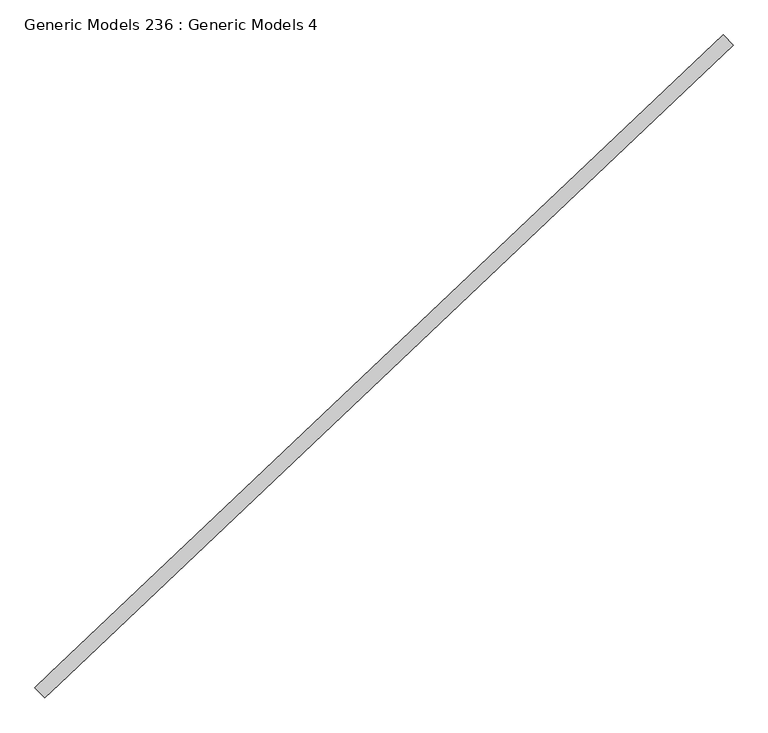
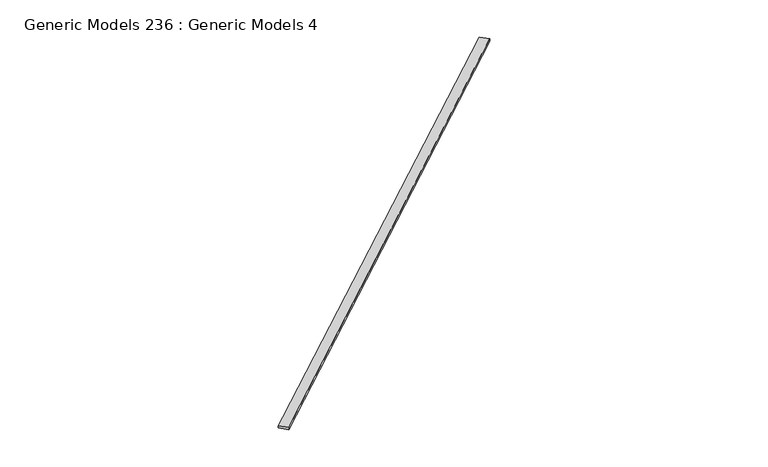
"""IFC4 building model written with IfcOpenShell, lengths in millimetres: proxy geometry, Generic Models 236 : Generic Models 4."""

import ifcopenshell
import ifcopenshell.guid

model = None  # the IFC model being written
_history = None  # IfcOwnerHistory: only IFC2X3 demands one
_inside = {}  # id of a spatial element -> (the spatial element, [elements in it])
_under = {}  # id of a project, library or spatial element -> (it, [spatial elements below it])
_declared = {}  # id of a project -> (the project, [libraries it declares])
_typed = {}  # id of a type object -> (the type object, [elements of that type])
_made_of = {}  # id of a material, layer set ... -> (it, [elements and type objects made of it])


def new_model(schema):
    """Start an empty IFC model of exactly this schema.

    Asked for "IFC4X3", IfcOpenShell would pick the latest addendum, in which some entities
    have other attributes; the version numbers below select the first issue.
    IFC2X3 requires an IfcOwnerHistory on every rooted entity: one is made here for all.
    """
    global model, _history
    if schema == "IFC4X3":
        model = ifcopenshell.file(schema_version=(4, 3, 0, 0))
    else:
        model = ifcopenshell.file(schema=schema)
    _inside.clear()
    _under.clear()
    _declared.clear()
    _typed.clear()
    _made_of.clear()
    _history = None
    if model.schema == "IFC2X3":
        org = make("IfcOrganization", Name="unknown")
        user = make(
            "IfcPersonAndOrganization",
            ThePerson=make("IfcPerson", FamilyName="unknown"),
            TheOrganization=org,
        )
        app = make(
            "IfcApplication",
            ApplicationDeveloper=org,
            Version="unknown",
            ApplicationFullName="unknown",
            ApplicationIdentifier="unknown",
        )
        _history = make(
            "IfcOwnerHistory",
            OwningUser=user,
            OwningApplication=app,
            ChangeAction="ADDED",
            CreationDate=0,
        )
    return model


def make(cls, **values):
    """One entity of the class cls with the attributes given. An attribute that is None is left unset."""
    return model.create_entity(
        cls, **{name: value for name, value in values.items() if value is not None}
    )


def rooted(cls, **values):
    """An entity with a GlobalId (a new one), such as an element, a storey or a relation."""
    return make(cls, GlobalId=ifcopenshell.guid.new(), OwnerHistory=_history, **values)


def si_unit(unit_type, name, prefix=None):
    """IfcSIUnit, for example si_unit("LENGTHUNIT", "METRE", prefix="MILLI")."""
    return make("IfcSIUnit", UnitType=unit_type, Prefix=prefix, Name=name)


def assignment(units):
    """IfcUnitAssignment: the units of a project."""
    return None if units is None else make("IfcUnitAssignment", Units=units)


def point(xyz):
    """IfcCartesianPoint."""
    return None if xyz is None else make("IfcCartesianPoint", Coordinates=xyz)


def direction(xyz):
    """IfcDirection."""
    return None if xyz is None else make("IfcDirection", DirectionRatios=xyz)


def frame(location, z_axis=None, x_axis=None):
    """IfcAxis2Placement3D, a coordinate frame: its origin and axes. An axis left out is left unset."""
    return make(
        "IfcAxis2Placement3D",
        Location=point(location),
        Axis=direction(z_axis),
        RefDirection=direction(x_axis),
    )


def origin():
    """The frame at (0, 0, 0) with its axes left unset."""
    return frame((0.0, 0.0, 0.0))


def place(relative_to, where):
    """IfcLocalPlacement: puts the frame where relative to a parent placement (None: the world)."""
    return make(
        "IfcLocalPlacement", PlacementRelTo=relative_to, RelativePlacement=where
    )


def context(
    kind, dimensions, precision=None, world=None, true_north=None, identifier=None
):
    """IfcGeometricRepresentationContext, for example the 3D "Model" context."""
    return make(
        "IfcGeometricRepresentationContext",
        ContextIdentifier=identifier,
        ContextType=kind,
        CoordinateSpaceDimension=dimensions,
        Precision=precision,
        WorldCoordinateSystem=world,
        TrueNorth=true_north,
    )


def project(units=None, contexts=None):
    """IfcProject with its units and contexts."""
    return rooted(
        "IfcProject",
        Name="project",
        RepresentationContexts=contexts,
        UnitsInContext=assignment(units),
    )


def spatial(cls, under=None, at=None, **own):
    """A site, building, storey or space (cls), placed at a placement, below another one or the project."""
    s = rooted(cls, ObjectPlacement=at, **own)
    if under is not None:
        _under.setdefault(under.id(), (under, []))[1].append(s)
    return s


def faces_of(points, faces, orient=None, outer=None):
    """IfcFace entities. A face is a list of loops; a loop is a list of indices into points, from 0.

    orient and outer hold one flag for each loop. By default every Orientation is true, the
    first loop of a face is its IfcFaceOuterBound and the others are IfcFaceBound.
    """
    made = []
    for i, loops in enumerate(faces):
        bounds = []
        for j, loop in enumerate(loops):
            is_outer = j == 0 if outer is None else outer[i][j]
            bounds.append(
                make(
                    "IfcFaceOuterBound" if is_outer else "IfcFaceBound",
                    Bound=make("IfcPolyLoop", Polygon=[points[k] for k in loop]),
                    Orientation=True if orient is None else orient[i][j],
                )
            )
        made.append(make("IfcFace", Bounds=bounds))
    return made


def faceted_brep(points, faces, orient=None, outer=None, voids=None):
    """IfcFacetedBrep: a solid bounded by flat faces; with voids (closed shells), ...WithVoids."""
    shared = [point(p) for p in points]
    hull = make("IfcClosedShell", CfsFaces=faces_of(shared, faces, orient, outer))
    if voids is None:
        return make("IfcFacetedBrep", Outer=hull)
    return make(
        "IfcFacetedBrepWithVoids",
        Outer=hull,
        Voids=[
            make(cls, CfsFaces=faces_of(shared, fs, o, b)) for cls, fs, o, b in voids
        ],
    )


def shape(context_of_items, identifier, shape_type, items):
    """IfcShapeRepresentation: the items that make up one representation, for example the "Body"."""
    return make(
        "IfcShapeRepresentation",
        ContextOfItems=context_of_items,
        RepresentationIdentifier=identifier,
        RepresentationType=shape_type,
        Items=items,
    )


def source(mapping_origin, context_of_items, identifier, shape_type, items):
    """IfcRepresentationMap: a shape defined once, which mapped items show again and again."""
    return make(
        "IfcRepresentationMap",
        MappingOrigin=mapping_origin,
        MappedRepresentation=shape(context_of_items, identifier, shape_type, items),
    )


def transform(
    local_origin,
    x_axis=None,
    y_axis=None,
    z_axis=None,
    scale=None,
    scale2=None,
    scale3=None,
    uniform=True,
):
    """IfcCartesianTransformationOperator3D, or its non-uniform kind. x_axis, y_axis, z_axis: its Axis1, 2, 3."""
    if uniform:
        return make(
            "IfcCartesianTransformationOperator3D",
            Axis1=direction(x_axis),
            Axis2=direction(y_axis),
            LocalOrigin=point(local_origin),
            Scale=scale,
            Axis3=direction(z_axis),
        )
    return make(
        "IfcCartesianTransformationOperator3DnonUniform",
        Axis1=direction(x_axis),
        Axis2=direction(y_axis),
        LocalOrigin=point(local_origin),
        Scale=scale,
        Axis3=direction(z_axis),
        Scale2=scale2,
        Scale3=scale3,
    )


def mapped(mapping_source, mapping_target):
    """IfcMappedItem: shows the shape of a source again, moved by a transform."""
    return make(
        "IfcMappedItem", MappingSource=mapping_source, MappingTarget=mapping_target
    )


def made_of(thing, what):
    """Note that an element or type object is made of a material, layer set ...; save() writes the relation."""
    if what is not None:
        _made_of.setdefault(what.id(), (what, []))[1].append(thing)
    return thing


def element(
    cls,
    number,
    at=None,
    inside=None,
    cuts=None,
    type_object=None,
    material=None,
    context=None,
    identifier="Body",
    shape_type=None,
    held_by="IfcProductDefinitionShape",
    body=None,
    shapes=None,
    **own,
):
    """One element of the class cls, such as IfcWall. Its Tag is "e" and its number.

    at: its placement. inside: the storey or other place that contains it. cuts: it is an
    opening in that element (IfcRelVoidsElement). A single representation is given by context,
    identifier, shape_type and body (its items); several are given by shapes. held_by: the class
    of the entity that holds the representations. save() writes the other relations.
    """
    e = rooted(cls, Tag="e%d" % number, ObjectPlacement=at, **own)
    if body is not None:
        shapes = [shape(context, identifier, shape_type, body)]
    if shapes is not None:
        e.Representation = make(held_by, Representations=shapes)
    if inside is not None:
        _inside.setdefault(inside.id(), (inside, []))[1].append(e)
    if cuts is not None:
        rooted(
            "IfcRelVoidsElement", RelatingBuildingElement=cuts, RelatedOpeningElement=e
        )
    if type_object is not None:
        _typed.setdefault(type_object.id(), (type_object, []))[1].append(e)
    return made_of(e, material)


def aggregate(whole, parts):
    """IfcRelAggregates: a whole, such as a stair, and the parts it consists of."""
    return rooted("IfcRelAggregates", RelatingObject=whole, RelatedObjects=parts)


def save(model, path):
    """Write the relations noted so far, then the file.

    IfcRelAggregates (storeys below a building ...), IfcRelContainedInSpatialStructure (elements
    in a storey), IfcRelDefinesByType, IfcRelAssociatesMaterial and IfcRelDeclares: one each for
    every whole, place, type object, material and project.
    """
    for whole, parts in _under.values():
        aggregate(whole, parts)
    for where, things in _inside.values():
        rooted(
            "IfcRelContainedInSpatialStructure",
            RelatedElements=things,
            RelatingStructure=where,
        )
    for kind, things in _typed.values():
        rooted("IfcRelDefinesByType", RelatedObjects=things, RelatingType=kind)
    for what, things in _made_of.values():
        rooted("IfcRelAssociatesMaterial", RelatedObjects=things, RelatingMaterial=what)
    for by, libraries in _declared.values():
        rooted("IfcRelDeclares", RelatingContext=by, RelatedDefinitions=libraries)
    model.write(path)


def generic_models_236_generic_models_4_f853b901(model_context):
    return source(origin(), model_context, "Body", "Brep", [
        faceted_brep([(103193.4660831, 41004.6723895, 17924.1394961), (103097.3029488, 41106.0071891, 17924.1394961), (103097.3029488, 41106.0071891, 17886.0394961), (103193.4660831, 41004.6723895, 17886.0394961), (109895.3812404, 47364.5524029, 17924.1394961), (109895.3812404, 47364.5524029, 17886.0394961), (109799.2181062, 47465.8872026, 17886.0394961), (109799.2181062, 47465.8872026, 17924.1394961), (103333.9529644, 41137.9894619, 17924.1394961), (103237.7898301, 41239.3242615, 17924.1394961)], [[[0, 1, 2, 3]], [[4, 5, 6, 7]], [[0, 3, 5, 4, 8]], [[3, 2, 6, 5]], [[2, 1, 9, 7, 6]], [[1, 0, 8, 4, 7, 9]]]),
    ])


if __name__ == "__main__":
    model = new_model("IFC4")
    model_context = context("Model", 3, world=origin())
    ifc_project = project(units=[si_unit("LENGTHUNIT", "METRE", prefix="MILLI")], contexts=[model_context])
    site = spatial("IfcSite", under=ifc_project)
    building = spatial("IfcBuilding", under=site)
    placement = place(None, origin())
    generic_models_236_generic_models_4_shape = generic_models_236_generic_models_4_f853b901(model_context)
    element("IfcBuildingElementProxy", 1, Name="Generic Models 236 : Generic Models 4", ObjectType="Generic Models 236 : Generic Models 4", at=placement, inside=building, context=model_context, shape_type="MappedRepresentation", body=[
        mapped(generic_models_236_generic_models_4_shape, transform((0.0, 0.0, 0.0), x_axis=(1.0, 0.0, 0.0), y_axis=(0.0, 1.0, 0.0), z_axis=(0.0, 0.0, 1.0))),
    ])
    save(model, "model.ifc")
